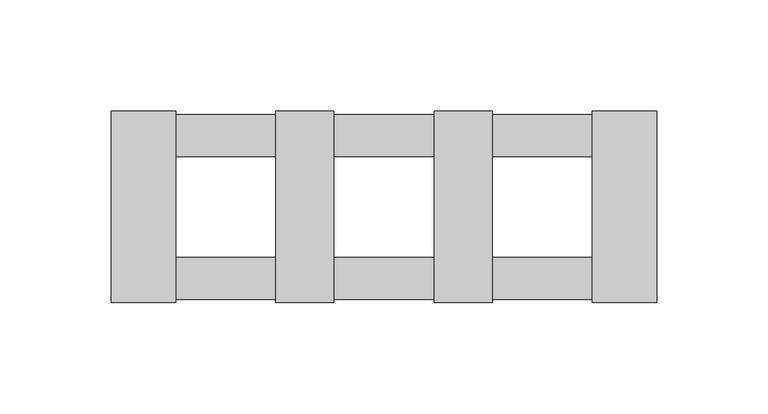
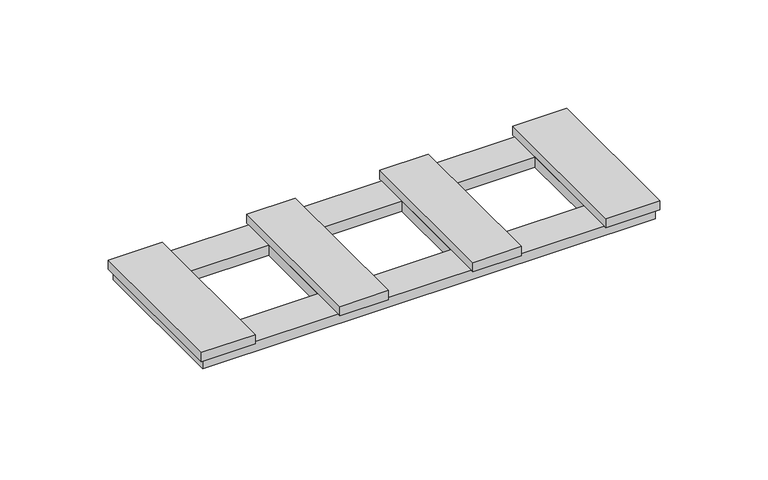
"""IFC4 building model written with IfcOpenShell, lengths in millimetres: proxy geometry."""

from ifc_helpers import new_model, si_unit, frame, origin, origin_with_axes, place, context, project, spatial, polyline, outline, extrude, source, transform, mapped, element, save


def electrical_fixtures_1175bd87(model_context):
    return source(origin(), model_context, "Body", "SweptSolid", [
        extrude(outline(polyline([(120.7, 41.5), (120.7, -41.5), (-120.6718172, -41.5), (-120.6718172, 41.5), (120.7, 41.5)]), holes=[polyline([(-48.5, 22.5), (-93.5, 22.5), (-93.5, -22.5), (-48.5, -22.5), (-48.5, 22.5)]), polyline([(-22.5, 22.5), (-22.5, -22.5), (22.5, -22.5), (22.5, 22.5), (-22.5, 22.5)]), polyline([(48.5, 22.5), (48.5, -22.5), (93.5, -22.5), (93.5, 22.5), (48.5, 22.5)])]), origin_with_axes(), (0.0, 0.0, 1.0), 5.5),
        extrude(outline(polyline([(-122.4, -43.0), (-122.4, 43.0), (-93.5, 43.0), (-93.5, -43.0), (-122.4, -43.0)])), frame((0.0, 0.0, 5.5), z_axis=(0.0, 0.0, 1.0), x_axis=(1.0, 0.0, 0.0)), (0.0, 0.0, 1.0), 5.2),
        extrude(outline(polyline([(-48.5, -43.0), (-48.5, 43.0), (-22.5, 43.0), (-22.5, -43.0), (-48.5, -43.0)])), frame((0.0, 0.0, 5.5), z_axis=(0.0, 0.0, 1.0), x_axis=(1.0, 0.0, 0.0)), (0.0, 0.0, 1.0), 5.2),
        extrude(outline(polyline([(122.4, -43.0), (93.5, -43.0), (93.5, 43.0), (122.4, 43.0), (122.4, -43.0)])), frame((0.0, 0.0, 5.5), z_axis=(0.0, 0.0, 1.0), x_axis=(1.0, 0.0, 0.0)), (0.0, 0.0, 1.0), 5.2),
        extrude(outline(polyline([(22.5, -43.0), (22.5, 43.0), (48.5, 43.0), (48.5, -43.0), (22.5, -43.0)])), frame((0.0, 0.0, 5.5), z_axis=(0.0, 0.0, 1.0), x_axis=(1.0, 0.0, 0.0)), (0.0, 0.0, 1.0), 5.2),
    ])


if __name__ == "__main__":
    model = new_model("IFC4")
    model_context = context("Model", 3, world=origin())
    ifc_project = project(units=[si_unit("LENGTHUNIT", "METRE", prefix="MILLI")], contexts=[model_context])
    site = spatial("IfcSite", under=ifc_project)
    building = spatial("IfcBuilding", under=site)
    placement = place(None, origin())
    electrical_fixtures_shape = electrical_fixtures_1175bd87(model_context)
    element("IfcBuildingElementProxy", 1, Name="Electrical Fixtures", at=placement, inside=building, context=model_context, shape_type="MappedRepresentation", body=[
        mapped(electrical_fixtures_shape, transform((0.0, 0.0, 0.0), x_axis=(1.0, 0.0, 0.0), y_axis=(0.0, 1.0, 0.0), z_axis=(0.0, 0.0, 1.0))),
    ])
    save(model, "model.ifc")
